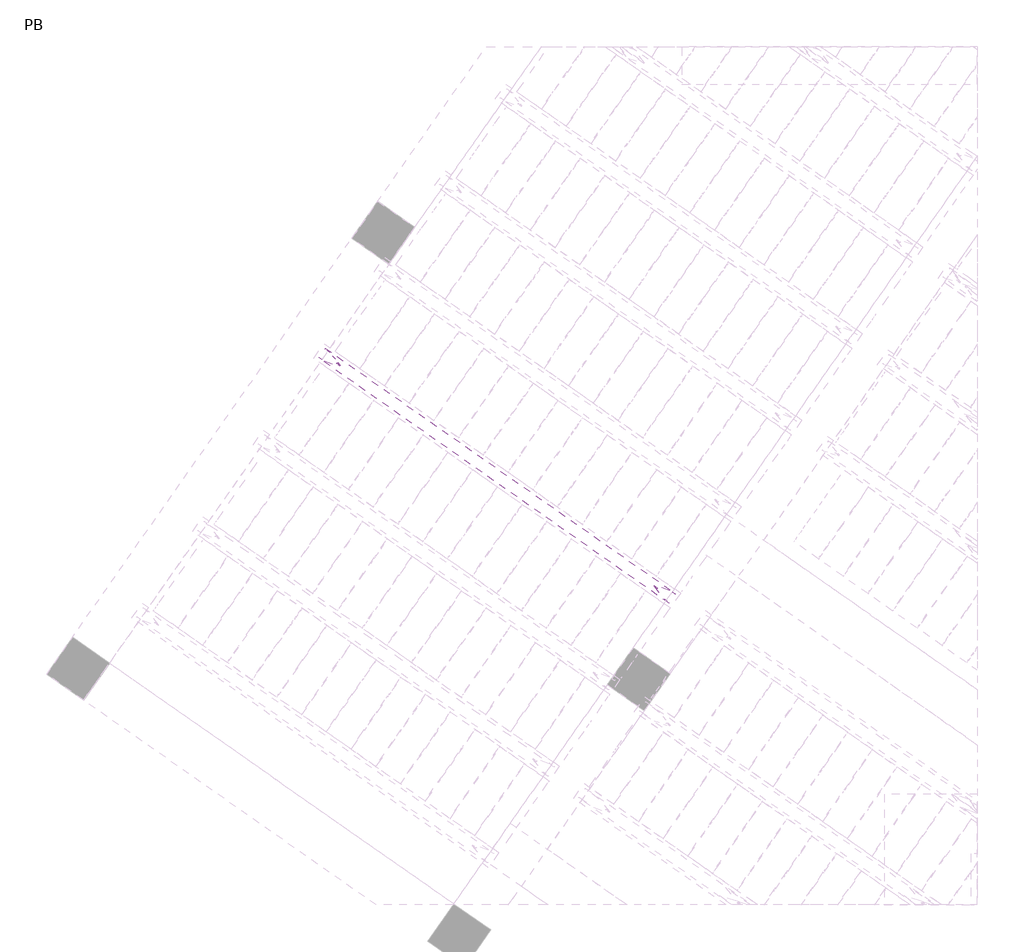
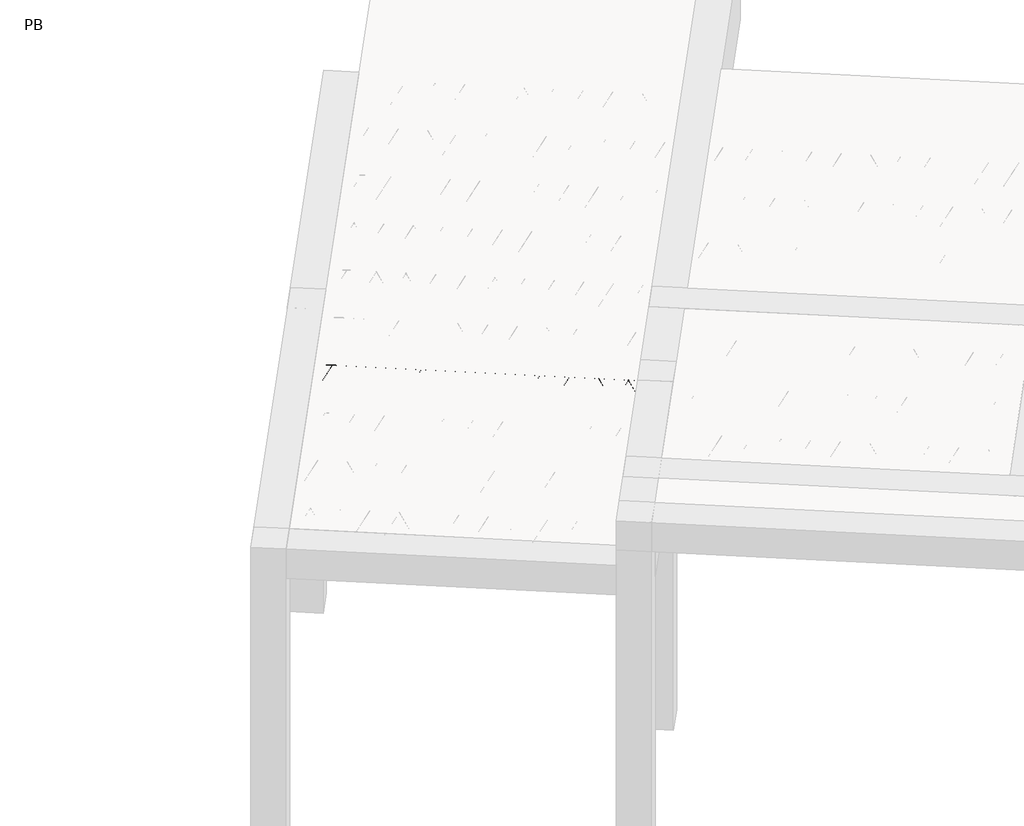
# One storey, part 17 of 56: 1 beam.
"""IFC4 building model written with IfcOpenShell, lengths in millimetres."""

from ifc_helpers import new_model, si_unit, point, frame, origin, origin_2d, place, context, project, spatial, circle_curve, trimmed, segment, composite_curve, outline, extrude, element, save

model = new_model("IFC4")

# Units and contexts
model_context = context("Model", 3, world=origin())
ifc_project = project(units=[si_unit("LENGTHUNIT", "METRE", prefix="MILLI")], contexts=[model_context])

# Site, building, storey
site = spatial("IfcSite", under=ifc_project)
building = spatial("IfcBuilding", under=site)
storey = spatial("IfcBuildingStorey", under=building, Name="PB", Elevation=95940.0)

# Beam
placement = place(None, origin())
element("IfcBeam", 1, at=placement, inside=storey, context=model_context, shape_type="SweptSolid", body=[
    extrude(outline(composite_curve([segment(trimmed(circle_curve(origin_2d(), 2.5), [point((-2.5, 0.0))], [point((2.5, 0.0))], False, "CARTESIAN"), True, "CONTINUOUS"), segment(trimmed(circle_curve(origin_2d(), 2.5), [point((2.5, 0.0))], [point((-2.5, 0.0))], False, "CARTESIAN"), True, "CONTINUOUS")], self_intersect=False)), frame((2347.0120958, 2768.8283072, 98785.0), z_axis=(-0.8191520442696126, 0.5735764363787226, 0.0), x_axis=(0.5735764363787226, 0.8191520442696126, 0.0)), (0.0, 0.0, 1.0), 2836.67355),
    extrude(outline(composite_curve([segment(trimmed(circle_curve(origin_2d(), 2.5), [point((-2.5, 0.0))], [point((2.5, 0.0))], False, "CARTESIAN"), True, "CONTINUOUS"), segment(trimmed(circle_curve(origin_2d(), 2.5), [point((2.5, 0.0))], [point((-2.5, 0.0))], False, "CARTESIAN"), True, "CONTINUOUS")], self_intersect=False)), frame((2270.7250362, 2866.1929666, 99010.0), z_axis=(-0.8191520442696126, 0.5735764363787226, 0.0), x_axis=(0.5735764363787226, 0.8191520442696126, 0.0)), (0.0, 0.0, 1.0), 2600.0),
    extrude(outline(composite_curve([segment(trimmed(circle_curve(origin_2d(), 2.5), [point((-2.5, 0.0))], [point((2.5, 1e-07))], False, "CARTESIAN"), True, "CONTINUOUS"), segment(trimmed(circle_curve(origin_2d(), 2.5), [point((2.5, 1e-07))], [point((-2.5, 0.0))], False, "CARTESIAN"), True, "CONTINUOUS")], self_intersect=False)), frame((2311.5126878, 2793.6852602, 98785.0), z_axis=(-0.3145304735701046, 0.38933448886848654, 0.8657304643902053), x_axis=(0.7778747638402499, 0.6284193279813057, 0.0)), (0.0, 0.0, 1.0), 259.8961331),
    extrude(outline(composite_curve([segment(trimmed(circle_curve(origin_2d(), 2.5), [point((2.5, 0.0))], [point((-2.5000001, 0.0))], False, "CARTESIAN"), True, "CONTINUOUS"), segment(trimmed(circle_curve(origin_2d(), 2.5), [point((-2.5000001, 0.0))], [point((2.5, 0.0))], False, "CARTESIAN"), True, "CONTINUOUS")], self_intersect=False)), frame((2106.7246767, 2937.0793693, 98785.0), z_axis=(0.47343050384693375, -0.16240172737369005, 0.8657304643902051), x_axis=(-0.3244721671091268, -0.9458952440791246, 0.0)), (0.0, 0.0, 1.0), 259.8961331),
    extrude(outline(composite_curve([segment(trimmed(circle_curve(origin_2d(), 2.5), [point((-2.5, 0.0))], [point((2.5000001, 0.0))], False, "CARTESIAN"), True, "CONTINUOUS"), segment(trimmed(circle_curve(origin_2d(), 2.5), [point((2.5000001, 0.0))], [point((-2.5, 0.0))], False, "CARTESIAN"), True, "CONTINUOUS")], self_intersect=False)), frame((2106.7246767, 2937.0793693, 98785.0), z_axis=(-0.3145304735701046, 0.38933448886848654, 0.8657304643902053), x_axis=(0.7778747638402499, 0.6284193279813057, 0.0)), (0.0, 0.0, 1.0), 259.8961331),
    extrude(outline(composite_curve([segment(trimmed(circle_curve(origin_2d(), 2.5), [point((2.5, 0.0))], [point((-2.5000001, 0.0))], False, "CARTESIAN"), True, "CONTINUOUS"), segment(trimmed(circle_curve(origin_2d(), 2.5), [point((-2.5000001, 0.0))], [point((2.5, 0.0))], False, "CARTESIAN"), True, "CONTINUOUS")], self_intersect=False)), frame((1901.9366657, 3080.4734784, 98785.0), z_axis=(0.47343050384693375, -0.16240172737369005, 0.8657304643902051), x_axis=(-0.3244721671091268, -0.9458952440791246, 0.0)), (0.0, 0.0, 1.0), 259.8961331),
    extrude(outline(composite_curve([segment(trimmed(circle_curve(origin_2d(), 2.5), [point((-2.5, 0.0))], [point((2.5, 1e-07))], False, "CARTESIAN"), True, "CONTINUOUS"), segment(trimmed(circle_curve(origin_2d(), 2.5), [point((2.5, 1e-07))], [point((-2.5, 0.0))], False, "CARTESIAN"), True, "CONTINUOUS")], self_intersect=False)), frame((1901.9366657, 3080.4734784, 98785.0), z_axis=(-0.3145304735701046, 0.38933448886848654, 0.8657304643902053), x_axis=(0.7778747638402499, 0.6284193279813057, 0.0)), (0.0, 0.0, 1.0), 259.8961331),
    extrude(outline(composite_curve([segment(trimmed(circle_curve(origin_2d(), 2.5), [point((2.5, 0.0))], [point((-2.5, 0.0))], False, "CARTESIAN"), True, "CONTINUOUS"), segment(trimmed(circle_curve(origin_2d(), 2.5), [point((-2.5, 0.0))], [point((2.5, 0.0))], False, "CARTESIAN"), True, "CONTINUOUS")], self_intersect=False)), frame((1697.1486546, 3223.8675875, 98785.0), z_axis=(0.47343050384693375, -0.16240172737369005, 0.8657304643902051), x_axis=(-0.3244721671091268, -0.9458952440791246, 0.0)), (0.0, 0.0, 1.0), 259.8961331),
    extrude(outline(composite_curve([segment(trimmed(circle_curve(origin_2d(), 2.5), [point((-2.5, 0.0))], [point((2.5, 1e-07))], False, "CARTESIAN"), True, "CONTINUOUS"), segment(trimmed(circle_curve(origin_2d(), 2.5), [point((2.5, 1e-07))], [point((-2.5, 0.0))], False, "CARTESIAN"), True, "CONTINUOUS")], self_intersect=False)), frame((1697.1486546, 3223.8675875, 98785.0), z_axis=(-0.3145304735701046, 0.38933448886848654, 0.8657304643902053), x_axis=(0.7778747638402499, 0.6284193279813057, 0.0)), (0.0, 0.0, 1.0), 259.8961331),
    extrude(outline(composite_curve([segment(trimmed(circle_curve(origin_2d(), 2.5), [point((2.5, 0.0))], [point((-2.5, 1e-07))], False, "CARTESIAN"), True, "CONTINUOUS"), segment(trimmed(circle_curve(origin_2d(), 2.5), [point((-2.5, 1e-07))], [point((2.5, 0.0))], False, "CARTESIAN"), True, "CONTINUOUS")], self_intersect=False)), frame((1492.3606435, 3367.2616966, 98785.0), z_axis=(0.47343050384693375, -0.16240172737369005, 0.8657304643902051), x_axis=(-0.3244721671091268, -0.9458952440791246, 0.0)), (0.0, 0.0, 1.0), 259.8961331),
    extrude(outline(composite_curve([segment(trimmed(circle_curve(origin_2d(), 2.5), [point((-2.5, 0.0))], [point((2.5, 0.0))], False, "CARTESIAN"), True, "CONTINUOUS"), segment(trimmed(circle_curve(origin_2d(), 2.5), [point((2.5, 0.0))], [point((-2.5, 0.0))], False, "CARTESIAN"), True, "CONTINUOUS")], self_intersect=False)), frame((1492.3606437, 3367.2616965, 98785.0), z_axis=(-0.3145304735701046, 0.38933448886848654, 0.8657304643902053), x_axis=(0.7778747638402499, 0.6284193279813057, 0.0)), (0.0, 0.0, 1.0), 259.8961331),
    extrude(outline(composite_curve([segment(trimmed(circle_curve(origin_2d(), 2.5), [point((2.5, 0.0))], [point((-2.5, 1e-07))], False, "CARTESIAN"), True, "CONTINUOUS"), segment(trimmed(circle_curve(origin_2d(), 2.5), [point((-2.5, 1e-07))], [point((2.5, 0.0))], False, "CARTESIAN"), True, "CONTINUOUS")], self_intersect=False)), frame((1287.5726326, 3510.6558056, 98785.0), z_axis=(0.47343050384693375, -0.16240172737369005, 0.8657304643902051), x_axis=(-0.3244721671091268, -0.9458952440791246, 0.0)), (0.0, 0.0, 1.0), 259.8961331),
    extrude(outline(composite_curve([segment(trimmed(circle_curve(origin_2d(), 2.5), [point((-2.5, 0.0))], [point((2.5, 0.0))], False, "CARTESIAN"), True, "CONTINUOUS"), segment(trimmed(circle_curve(origin_2d(), 2.5), [point((2.5, 0.0))], [point((-2.5, 0.0))], False, "CARTESIAN"), True, "CONTINUOUS")], self_intersect=False)), frame((1287.5726326, 3510.6558056, 98785.0), z_axis=(-0.3145304735701046, 0.38933448886848654, 0.8657304643902053), x_axis=(0.7778747638402499, 0.6284193279813057, 0.0)), (0.0, 0.0, 1.0), 259.8961331),
    extrude(outline(composite_curve([segment(trimmed(circle_curve(origin_2d(), 2.5), [point((2.5, 0.0))], [point((-2.5, 0.0))], False, "CARTESIAN"), True, "CONTINUOUS"), segment(trimmed(circle_curve(origin_2d(), 2.5), [point((-2.5, 0.0))], [point((2.5, 0.0))], False, "CARTESIAN"), True, "CONTINUOUS")], self_intersect=False)), frame((1082.7846216, 3654.0499147, 98785.0), z_axis=(0.47343050384693375, -0.16240172737369005, 0.8657304643902051), x_axis=(-0.3244721671091268, -0.9458952440791246, 0.0)), (0.0, 0.0, 1.0), 259.8961331),
    extrude(outline(composite_curve([segment(trimmed(circle_curve(origin_2d(), 2.5), [point((-2.5, 0.0))], [point((2.5, 0.0))], False, "CARTESIAN"), True, "CONTINUOUS"), segment(trimmed(circle_curve(origin_2d(), 2.5), [point((2.5, 0.0))], [point((-2.5, 0.0))], False, "CARTESIAN"), True, "CONTINUOUS")], self_intersect=False)), frame((1082.7846216, 3654.0499147, 98785.0), z_axis=(-0.3145304735701046, 0.38933448886848654, 0.8657304643902053), x_axis=(0.7778747638402499, 0.6284193279813057, 0.0)), (0.0, 0.0, 1.0), 259.8961331),
    extrude(outline(composite_curve([segment(trimmed(circle_curve(origin_2d(), 2.5), [point((2.5, 0.0))], [point((-2.5, 0.0))], False, "CARTESIAN"), True, "CONTINUOUS"), segment(trimmed(circle_curve(origin_2d(), 2.5), [point((-2.5, 0.0))], [point((2.5, 0.0))], False, "CARTESIAN"), True, "CONTINUOUS")], self_intersect=False)), frame((877.9966105, 3797.4440238, 98785.0), z_axis=(0.47343050384693375, -0.16240172737369005, 0.8657304643902051), x_axis=(-0.3244721671091268, -0.9458952440791246, 0.0)), (0.0, 0.0, 1.0), 259.8961331),
    extrude(outline(composite_curve([segment(trimmed(circle_curve(origin_2d(), 2.5), [point((-2.5, 0.0))], [point((2.5, 0.0))], False, "CARTESIAN"), True, "CONTINUOUS"), segment(trimmed(circle_curve(origin_2d(), 2.5), [point((2.5, 0.0))], [point((-2.5, 0.0))], False, "CARTESIAN"), True, "CONTINUOUS")], self_intersect=False)), frame((877.9966105, 3797.4440238, 98785.0), z_axis=(-0.3145304735701046, 0.38933448886848654, 0.8657304643902053), x_axis=(0.7778747638402499, 0.6284193279813057, 0.0)), (0.0, 0.0, 1.0), 259.8961331),
    extrude(outline(composite_curve([segment(trimmed(circle_curve(origin_2d(), 2.5), [point((2.5, 0.0))], [point((-2.5, 1e-07))], False, "CARTESIAN"), True, "CONTINUOUS"), segment(trimmed(circle_curve(origin_2d(), 2.5), [point((-2.5, 1e-07))], [point((2.5, 0.0))], False, "CARTESIAN"), True, "CONTINUOUS")], self_intersect=False)), frame((673.2085994, 3940.8381329, 98785.0), z_axis=(0.47343050384693375, -0.16240172737369005, 0.8657304643902051), x_axis=(-0.3244721671091268, -0.9458952440791246, 0.0)), (0.0, 0.0, 1.0), 259.8961331),
    extrude(outline(composite_curve([segment(trimmed(circle_curve(origin_2d(), 2.5), [point((-2.5, 0.0))], [point((2.5, 0.0))], False, "CARTESIAN"), True, "CONTINUOUS"), segment(trimmed(circle_curve(origin_2d(), 2.5), [point((2.5, 0.0))], [point((-2.5, 0.0))], False, "CARTESIAN"), True, "CONTINUOUS")], self_intersect=False)), frame((673.2085994, 3940.8381329, 98785.0), z_axis=(-0.3145304735701046, 0.38933448886848654, 0.8657304643902053), x_axis=(0.7778747638402499, 0.6284193279813057, 0.0)), (0.0, 0.0, 1.0), 259.8961331),
    extrude(outline(composite_curve([segment(trimmed(circle_curve(origin_2d(), 2.5), [point((2.5, 0.0))], [point((-2.5, 0.0))], False, "CARTESIAN"), True, "CONTINUOUS"), segment(trimmed(circle_curve(origin_2d(), 2.5), [point((-2.5, 0.0))], [point((2.5, 0.0))], False, "CARTESIAN"), True, "CONTINUOUS")], self_intersect=False)), frame((468.4205884, 4084.232242, 98785.0), z_axis=(0.47343050384693375, -0.16240172737369005, 0.8657304643902051), x_axis=(-0.3244721671091268, -0.9458952440791246, 0.0)), (0.0, 0.0, 1.0), 259.8961331),
    extrude(outline(composite_curve([segment(trimmed(circle_curve(origin_2d(), 2.5), [point((-2.5, 0.0))], [point((2.5, 0.0))], False, "CARTESIAN"), True, "CONTINUOUS"), segment(trimmed(circle_curve(origin_2d(), 2.5), [point((2.5, 0.0))], [point((-2.5, 0.0))], False, "CARTESIAN"), True, "CONTINUOUS")], self_intersect=False)), frame((468.4205884, 4084.232242, 98785.0), z_axis=(-0.3145304735701046, 0.38933448886848654, 0.8657304643902053), x_axis=(0.7778747638402499, 0.6284193279813057, 0.0)), (0.0, 0.0, 1.0), 259.8961331),
    extrude(outline(composite_curve([segment(trimmed(circle_curve(origin_2d(), 2.5), [point((2.5, 0.0))], [point((-2.5, 0.0))], False, "CARTESIAN"), True, "CONTINUOUS"), segment(trimmed(circle_curve(origin_2d(), 2.5), [point((-2.5, 0.0))], [point((2.5, 0.0))], False, "CARTESIAN"), True, "CONTINUOUS")], self_intersect=False)), frame((263.6325773, 4227.6263511, 98785.0), z_axis=(0.47343050384693375, -0.16240172737369005, 0.8657304643902051), x_axis=(-0.3244721671091268, -0.9458952440791246, 0.0)), (0.0, 0.0, 1.0), 259.8961331),
    extrude(outline(composite_curve([segment(trimmed(circle_curve(origin_2d(), 2.5), [point((-2.5, 0.0))], [point((2.5, 0.0))], False, "CARTESIAN"), True, "CONTINUOUS"), segment(trimmed(circle_curve(origin_2d(), 2.5), [point((2.5, 0.0))], [point((-2.5, 0.0))], False, "CARTESIAN"), True, "CONTINUOUS")], self_intersect=False)), frame((263.6325773, 4227.6263511, 98785.0), z_axis=(-0.3145304735701046, 0.38933448886848654, 0.8657304643902053), x_axis=(0.7778747638402499, 0.6284193279813057, 0.0)), (0.0, 0.0, 1.0), 259.8961331),
    extrude(outline(composite_curve([segment(trimmed(circle_curve(origin_2d(), 2.5), [point((2.5, 0.0))], [point((-2.5, 1e-07))], False, "CARTESIAN"), True, "CONTINUOUS"), segment(trimmed(circle_curve(origin_2d(), 2.5), [point((-2.5, 1e-07))], [point((2.5, 0.0))], False, "CARTESIAN"), True, "CONTINUOUS")], self_intersect=False)), frame((58.8445662, 4371.0204602, 98785.0), z_axis=(0.47343050384693375, -0.16240172737369005, 0.8657304643902051), x_axis=(-0.3244721671091268, -0.9458952440791246, 0.0)), (0.0, 0.0, 1.0), 259.8961331),
    extrude(outline(composite_curve([segment(trimmed(circle_curve(origin_2d(), 2.5), [point((-2.5000001, 0.0))], [point((2.5, 0.0))], False, "CARTESIAN"), True, "CONTINUOUS"), segment(trimmed(circle_curve(origin_2d(), 2.5), [point((2.5, 0.0))], [point((-2.5000001, 0.0))], False, "CARTESIAN"), True, "CONTINUOUS")], self_intersect=False)), frame((2388.3095992, 2827.8072544, 98785.0), z_axis=(-0.8191520442696126, 0.5735764363787226, 0.0), x_axis=(0.5735764363787226, 0.8191520442696126, 0.0)), (0.0, 0.0, 1.0), 2836.67355),
    extrude(outline(composite_curve([segment(trimmed(circle_curve(origin_2d(), 2.5), [point((-2.5, 0.0))], [point((2.5, -1e-07))], False, "CARTESIAN"), True, "CONTINUOUS"), segment(trimmed(circle_curve(origin_2d(), 2.5), [point((2.5, -1e-07))], [point((-2.5, 0.0))], False, "CARTESIAN"), True, "CONTINUOUS")], self_intersect=False)), frame((2352.8101912, 2852.6642074, 98785.0), z_axis=(-0.47343050384693375, 0.16240172737369005, 0.8657304643902051), x_axis=(0.3244721671091268, 0.9458952440791246, 0.0)), (0.0, 0.0, 1.0), 259.8961331),
    extrude(outline(composite_curve([segment(trimmed(circle_curve(origin_2d(), 2.5), [point((2.5, 0.0))], [point((-2.5, -1e-07))], False, "CARTESIAN"), True, "CONTINUOUS"), segment(trimmed(circle_curve(origin_2d(), 2.5), [point((-2.5, -1e-07))], [point((2.5, 0.0))], False, "CARTESIAN"), True, "CONTINUOUS")], self_intersect=False)), frame((2148.0221802, 2996.0583165, 98785.0), z_axis=(0.3145304735701046, -0.38933448886848654, 0.8657304643902053), x_axis=(-0.7778747638402499, -0.6284193279813057, 0.0)), (0.0, 0.0, 1.0), 259.8961331),
    extrude(outline(composite_curve([segment(trimmed(circle_curve(origin_2d(), 2.5), [point((-2.5, 1e-07))], [point((2.5, 0.0))], False, "CARTESIAN"), True, "CONTINUOUS"), segment(trimmed(circle_curve(origin_2d(), 2.5), [point((2.5, 0.0))], [point((-2.5, 1e-07))], False, "CARTESIAN"), True, "CONTINUOUS")], self_intersect=False)), frame((2148.0221802, 2996.0583165, 98785.0), z_axis=(-0.47343050384693375, 0.16240172737369005, 0.8657304643902051), x_axis=(0.3244721671091268, 0.9458952440791246, 0.0)), (0.0, 0.0, 1.0), 259.8961331),
    extrude(outline(composite_curve([segment(trimmed(circle_curve(origin_2d(), 2.5), [point((2.5, 0.0))], [point((-2.5, 0.0))], False, "CARTESIAN"), True, "CONTINUOUS"), segment(trimmed(circle_curve(origin_2d(), 2.5), [point((-2.5, 0.0))], [point((2.5, 0.0))], False, "CARTESIAN"), True, "CONTINUOUS")], self_intersect=False)), frame((1943.2341691, 3139.4524256, 98785.0), z_axis=(0.3145304735701046, -0.38933448886848654, 0.8657304643902053), x_axis=(-0.7778747638402499, -0.6284193279813057, 0.0)), (0.0, 0.0, 1.0), 259.8961331),
    extrude(outline(composite_curve([segment(trimmed(circle_curve(origin_2d(), 2.5), [point((-2.5, 0.0))], [point((2.5, 0.0))], False, "CARTESIAN"), True, "CONTINUOUS"), segment(trimmed(circle_curve(origin_2d(), 2.5), [point((2.5, 0.0))], [point((-2.5, 0.0))], False, "CARTESIAN"), True, "CONTINUOUS")], self_intersect=False)), frame((1943.2341691, 3139.4524256, 98785.0), z_axis=(-0.47343050384693375, 0.16240172737369005, 0.8657304643902051), x_axis=(0.3244721671091268, 0.9458952440791246, 0.0)), (0.0, 0.0, 1.0), 259.8961331),
    extrude(outline(composite_curve([segment(trimmed(circle_curve(origin_2d(), 2.5), [point((2.5, 0.0))], [point((-2.5, 0.0))], False, "CARTESIAN"), True, "CONTINUOUS"), segment(trimmed(circle_curve(origin_2d(), 2.5), [point((-2.5, 0.0))], [point((2.5, 0.0))], False, "CARTESIAN"), True, "CONTINUOUS")], self_intersect=False)), frame((1738.446158, 3282.8465347, 98785.0), z_axis=(0.3145304735701046, -0.38933448886848654, 0.8657304643902053), x_axis=(-0.7778747638402499, -0.6284193279813057, 0.0)), (0.0, 0.0, 1.0), 259.8961331),
    extrude(outline(composite_curve([segment(trimmed(circle_curve(origin_2d(), 2.5), [point((-2.5, 0.0))], [point((2.5, 0.0))], False, "CARTESIAN"), True, "CONTINUOUS"), segment(trimmed(circle_curve(origin_2d(), 2.5), [point((2.5, 0.0))], [point((-2.5, 0.0))], False, "CARTESIAN"), True, "CONTINUOUS")], self_intersect=False)), frame((1738.446158, 3282.8465347, 98785.0), z_axis=(-0.47343050384693375, 0.16240172737369005, 0.8657304643902051), x_axis=(0.3244721671091268, 0.9458952440791246, 0.0)), (0.0, 0.0, 1.0), 259.8961331),
    extrude(outline(composite_curve([segment(trimmed(circle_curve(origin_2d(), 2.5), [point((2.5, 0.0))], [point((-2.5, 0.0))], False, "CARTESIAN"), True, "CONTINUOUS"), segment(trimmed(circle_curve(origin_2d(), 2.5), [point((-2.5, 0.0))], [point((2.5, 0.0))], False, "CARTESIAN"), True, "CONTINUOUS")], self_intersect=False)), frame((1533.658147, 3426.2406438, 98785.0), z_axis=(0.3145304735701046, -0.38933448886848654, 0.8657304643902053), x_axis=(-0.7778747638402499, -0.6284193279813057, 0.0)), (0.0, 0.0, 1.0), 259.8961331),
    extrude(outline(composite_curve([segment(trimmed(circle_curve(origin_2d(), 2.5), [point((-2.5, 0.0))], [point((2.5, 0.0))], False, "CARTESIAN"), True, "CONTINUOUS"), segment(trimmed(circle_curve(origin_2d(), 2.5), [point((2.5, 0.0))], [point((-2.5, 0.0))], False, "CARTESIAN"), True, "CONTINUOUS")], self_intersect=False)), frame((1533.6581471, 3426.2406437, 98785.0), z_axis=(-0.47343050384693375, 0.16240172737369005, 0.8657304643902051), x_axis=(0.3244721671091268, 0.9458952440791246, 0.0)), (0.0, 0.0, 1.0), 259.8961331),
    extrude(outline(composite_curve([segment(trimmed(circle_curve(origin_2d(), 2.5), [point((2.5000001, -1e-07))], [point((-2.5, 0.0))], False, "CARTESIAN"), True, "CONTINUOUS"), segment(trimmed(circle_curve(origin_2d(), 2.5), [point((-2.5, 0.0))], [point((2.5000001, -1e-07))], False, "CARTESIAN"), True, "CONTINUOUS")], self_intersect=False)), frame((1328.8701361, 3569.6347528, 98785.0), z_axis=(0.3145304735701046, -0.38933448886848654, 0.8657304643902053), x_axis=(-0.7778747638402499, -0.6284193279813057, 0.0)), (0.0, 0.0, 1.0), 259.8961331),
    extrude(outline(composite_curve([segment(trimmed(circle_curve(origin_2d(), 2.5), [point((-2.5, 1e-07))], [point((2.5, 0.0))], False, "CARTESIAN"), True, "CONTINUOUS"), segment(trimmed(circle_curve(origin_2d(), 2.5), [point((2.5, 0.0))], [point((-2.5, 1e-07))], False, "CARTESIAN"), True, "CONTINUOUS")], self_intersect=False)), frame((1328.8701361, 3569.6347528, 98785.0), z_axis=(-0.47343050384693375, 0.16240172737369005, 0.8657304643902051), x_axis=(0.3244721671091268, 0.9458952440791246, 0.0)), (0.0, 0.0, 1.0), 259.8961331),
    extrude(outline(composite_curve([segment(trimmed(circle_curve(origin_2d(), 2.5), [point((2.5, 0.0))], [point((-2.5, 0.0))], False, "CARTESIAN"), True, "CONTINUOUS"), segment(trimmed(circle_curve(origin_2d(), 2.5), [point((-2.5, 0.0))], [point((2.5, 0.0))], False, "CARTESIAN"), True, "CONTINUOUS")], self_intersect=False)), frame((1124.082125, 3713.0288619, 98785.0), z_axis=(0.3145304735701046, -0.38933448886848654, 0.8657304643902053), x_axis=(-0.7778747638402499, -0.6284193279813057, 0.0)), (0.0, 0.0, 1.0), 259.8961331),
    extrude(outline(composite_curve([segment(trimmed(circle_curve(origin_2d(), 2.5), [point((-2.5, 0.0))], [point((2.5, 0.0))], False, "CARTESIAN"), True, "CONTINUOUS"), segment(trimmed(circle_curve(origin_2d(), 2.5), [point((2.5, 0.0))], [point((-2.5, 0.0))], False, "CARTESIAN"), True, "CONTINUOUS")], self_intersect=False)), frame((1124.082125, 3713.0288619, 98785.0), z_axis=(-0.47343050384693375, 0.16240172737369005, 0.8657304643902051), x_axis=(0.3244721671091268, 0.9458952440791246, 0.0)), (0.0, 0.0, 1.0), 259.8961331),
    extrude(outline(composite_curve([segment(trimmed(circle_curve(origin_2d(), 2.5), [point((2.5, 0.0))], [point((-2.5, 0.0))], False, "CARTESIAN"), True, "CONTINUOUS"), segment(trimmed(circle_curve(origin_2d(), 2.5), [point((-2.5, 0.0))], [point((2.5, 0.0))], False, "CARTESIAN"), True, "CONTINUOUS")], self_intersect=False)), frame((919.2941139, 3856.422971, 98785.0), z_axis=(0.3145304735701046, -0.38933448886848654, 0.8657304643902053), x_axis=(-0.7778747638402499, -0.6284193279813057, 0.0)), (0.0, 0.0, 1.0), 259.8961331),
    extrude(outline(composite_curve([segment(trimmed(circle_curve(origin_2d(), 2.5), [point((-2.5, 0.0))], [point((2.5, 0.0))], False, "CARTESIAN"), True, "CONTINUOUS"), segment(trimmed(circle_curve(origin_2d(), 2.5), [point((2.5, 0.0))], [point((-2.5, 0.0))], False, "CARTESIAN"), True, "CONTINUOUS")], self_intersect=False)), frame((919.2941139, 3856.422971, 98785.0), z_axis=(-0.47343050384693375, 0.16240172737369005, 0.8657304643902051), x_axis=(0.3244721671091268, 0.9458952440791246, 0.0)), (0.0, 0.0, 1.0), 259.8961331),
    extrude(outline(composite_curve([segment(trimmed(circle_curve(origin_2d(), 2.5), [point((2.5000001, -1e-07))], [point((-2.5, 0.0))], False, "CARTESIAN"), True, "CONTINUOUS"), segment(trimmed(circle_curve(origin_2d(), 2.5), [point((-2.5, 0.0))], [point((2.5000001, -1e-07))], False, "CARTESIAN"), True, "CONTINUOUS")], self_intersect=False)), frame((714.5061029, 3999.8170801, 98785.0), z_axis=(0.3145304735701046, -0.38933448886848654, 0.8657304643902053), x_axis=(-0.7778747638402499, -0.6284193279813057, 0.0)), (0.0, 0.0, 1.0), 259.8961331),
    extrude(outline(composite_curve([segment(trimmed(circle_curve(origin_2d(), 2.5), [point((-2.5, 1e-07))], [point((2.5, 0.0))], False, "CARTESIAN"), True, "CONTINUOUS"), segment(trimmed(circle_curve(origin_2d(), 2.5), [point((2.5, 0.0))], [point((-2.5, 1e-07))], False, "CARTESIAN"), True, "CONTINUOUS")], self_intersect=False)), frame((714.5061029, 3999.8170801, 98785.0), z_axis=(-0.47343050384693375, 0.16240172737369005, 0.8657304643902051), x_axis=(0.3244721671091268, 0.9458952440791246, 0.0)), (0.0, 0.0, 1.0), 259.8961331),
    extrude(outline(composite_curve([segment(trimmed(circle_curve(origin_2d(), 2.5), [point((2.5, 0.0))], [point((-2.5, 0.0))], False, "CARTESIAN"), True, "CONTINUOUS"), segment(trimmed(circle_curve(origin_2d(), 2.5), [point((-2.5, 0.0))], [point((2.5, 0.0))], False, "CARTESIAN"), True, "CONTINUOUS")], self_intersect=False)), frame((509.7180918, 4143.2111892, 98785.0), z_axis=(0.3145304735701046, -0.38933448886848654, 0.8657304643902053), x_axis=(-0.7778747638402499, -0.6284193279813057, 0.0)), (0.0, 0.0, 1.0), 259.8961331),
    extrude(outline(composite_curve([segment(trimmed(circle_curve(origin_2d(), 2.5), [point((-2.5, 0.0))], [point((2.5, 0.0))], False, "CARTESIAN"), True, "CONTINUOUS"), segment(trimmed(circle_curve(origin_2d(), 2.5), [point((2.5, 0.0))], [point((-2.5, 0.0))], False, "CARTESIAN"), True, "CONTINUOUS")], self_intersect=False)), frame((509.7180918, 4143.2111892, 98785.0), z_axis=(-0.47343050384693375, 0.16240172737369005, 0.8657304643902051), x_axis=(0.3244721671091268, 0.9458952440791246, 0.0)), (0.0, 0.0, 1.0), 259.8961331),
    extrude(outline(composite_curve([segment(trimmed(circle_curve(origin_2d(), 2.5), [point((2.5, 0.0))], [point((-2.5, 0.0))], False, "CARTESIAN"), True, "CONTINUOUS"), segment(trimmed(circle_curve(origin_2d(), 2.5), [point((-2.5, 0.0))], [point((2.5, 0.0))], False, "CARTESIAN"), True, "CONTINUOUS")], self_intersect=False)), frame((304.9300807, 4286.6052983, 98785.0), z_axis=(0.3145304735701046, -0.38933448886848654, 0.8657304643902053), x_axis=(-0.7778747638402499, -0.6284193279813057, 0.0)), (0.0, 0.0, 1.0), 259.8961331),
    extrude(outline(composite_curve([segment(trimmed(circle_curve(origin_2d(), 2.5), [point((-2.5, 0.0))], [point((2.5, 0.0))], False, "CARTESIAN"), True, "CONTINUOUS"), segment(trimmed(circle_curve(origin_2d(), 2.5), [point((2.5, 0.0))], [point((-2.5, 0.0))], False, "CARTESIAN"), True, "CONTINUOUS")], self_intersect=False)), frame((304.9300807, 4286.6052983, 98785.0), z_axis=(-0.47343050384693375, 0.16240172737369005, 0.8657304643902051), x_axis=(0.3244721671091268, 0.9458952440791246, 0.0)), (0.0, 0.0, 1.0), 259.8961331),
    extrude(outline(composite_curve([segment(trimmed(circle_curve(origin_2d(), 2.5), [point((2.5000001, 0.0))], [point((-2.5, 0.0))], False, "CARTESIAN"), True, "CONTINUOUS"), segment(trimmed(circle_curve(origin_2d(), 2.5), [point((-2.5, 0.0))], [point((2.5000001, 0.0))], False, "CARTESIAN"), True, "CONTINUOUS")], self_intersect=False)), frame((100.1420697, 4429.9994074, 98785.0), z_axis=(0.3145304735701046, -0.38933448886848654, 0.8657304643902053), x_axis=(-0.7778747638402499, -0.6284193279813057, 0.0)), (0.0, 0.0, 1.0), 259.8961331),
])

save(model, "model.ifc")
